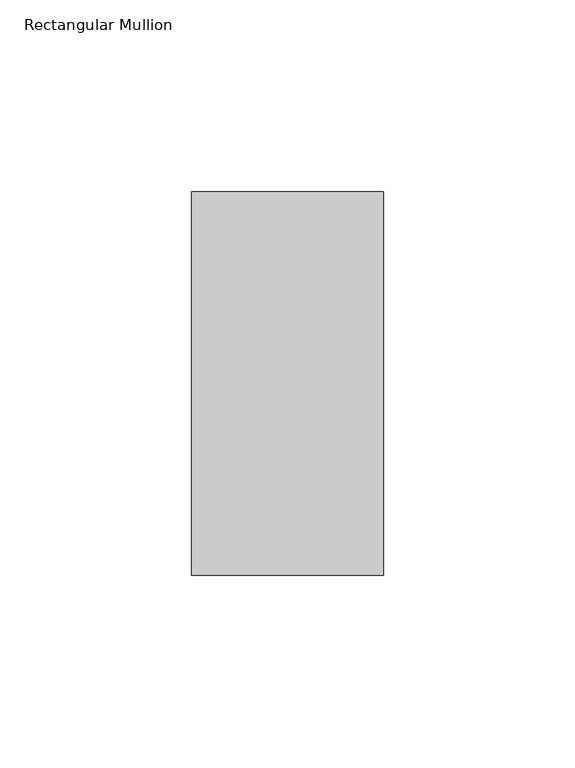
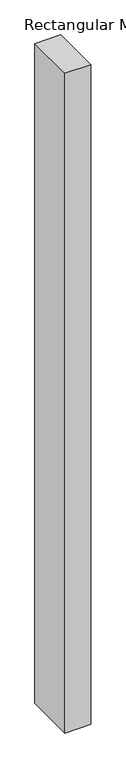
"""IFC4 building model written with IfcOpenShell, lengths in millimetres: member geometry, Rectangular Mullion."""

import ifcopenshell
import ifcopenshell.guid

model = None  # the IFC model being written
_history = None  # IfcOwnerHistory: only IFC2X3 demands one
_inside = {}  # id of a spatial element -> (the spatial element, [elements in it])
_under = {}  # id of a project, library or spatial element -> (it, [spatial elements below it])
_declared = {}  # id of a project -> (the project, [libraries it declares])
_typed = {}  # id of a type object -> (the type object, [elements of that type])
_made_of = {}  # id of a material, layer set ... -> (it, [elements and type objects made of it])


def new_model(schema):
    """Start an empty IFC model of exactly this schema.

    Asked for "IFC4X3", IfcOpenShell would pick the latest addendum, in which some entities
    have other attributes; the version numbers below select the first issue.
    IFC2X3 requires an IfcOwnerHistory on every rooted entity: one is made here for all.
    """
    global model, _history
    if schema == "IFC4X3":
        model = ifcopenshell.file(schema_version=(4, 3, 0, 0))
    else:
        model = ifcopenshell.file(schema=schema)
    _inside.clear()
    _under.clear()
    _declared.clear()
    _typed.clear()
    _made_of.clear()
    _history = None
    if model.schema == "IFC2X3":
        org = make("IfcOrganization", Name="unknown")
        user = make(
            "IfcPersonAndOrganization",
            ThePerson=make("IfcPerson", FamilyName="unknown"),
            TheOrganization=org,
        )
        app = make(
            "IfcApplication",
            ApplicationDeveloper=org,
            Version="unknown",
            ApplicationFullName="unknown",
            ApplicationIdentifier="unknown",
        )
        _history = make(
            "IfcOwnerHistory",
            OwningUser=user,
            OwningApplication=app,
            ChangeAction="ADDED",
            CreationDate=0,
        )
    return model


def make(cls, **values):
    """One entity of the class cls with the attributes given. An attribute that is None is left unset."""
    return model.create_entity(
        cls, **{name: value for name, value in values.items() if value is not None}
    )


def rooted(cls, **values):
    """An entity with a GlobalId (a new one), such as an element, a storey or a relation."""
    return make(cls, GlobalId=ifcopenshell.guid.new(), OwnerHistory=_history, **values)


def si_unit(unit_type, name, prefix=None):
    """IfcSIUnit, for example si_unit("LENGTHUNIT", "METRE", prefix="MILLI")."""
    return make("IfcSIUnit", UnitType=unit_type, Prefix=prefix, Name=name)


def assignment(units):
    """IfcUnitAssignment: the units of a project."""
    return None if units is None else make("IfcUnitAssignment", Units=units)


def point(xyz):
    """IfcCartesianPoint."""
    return None if xyz is None else make("IfcCartesianPoint", Coordinates=xyz)


def direction(xyz):
    """IfcDirection."""
    return None if xyz is None else make("IfcDirection", DirectionRatios=xyz)


def frame(location, z_axis=None, x_axis=None):
    """IfcAxis2Placement3D, a coordinate frame: its origin and axes. An axis left out is left unset."""
    return make(
        "IfcAxis2Placement3D",
        Location=point(location),
        Axis=direction(z_axis),
        RefDirection=direction(x_axis),
    )


def origin():
    """The frame at (0, 0, 0) with its axes left unset."""
    return frame((0.0, 0.0, 0.0))


def place(relative_to, where):
    """IfcLocalPlacement: puts the frame where relative to a parent placement (None: the world)."""
    return make(
        "IfcLocalPlacement", PlacementRelTo=relative_to, RelativePlacement=where
    )


def context(
    kind, dimensions, precision=None, world=None, true_north=None, identifier=None
):
    """IfcGeometricRepresentationContext, for example the 3D "Model" context."""
    return make(
        "IfcGeometricRepresentationContext",
        ContextIdentifier=identifier,
        ContextType=kind,
        CoordinateSpaceDimension=dimensions,
        Precision=precision,
        WorldCoordinateSystem=world,
        TrueNorth=true_north,
    )


def project(units=None, contexts=None):
    """IfcProject with its units and contexts."""
    return rooted(
        "IfcProject",
        Name="project",
        RepresentationContexts=contexts,
        UnitsInContext=assignment(units),
    )


def spatial(cls, under=None, at=None, **own):
    """A site, building, storey or space (cls), placed at a placement, below another one or the project."""
    s = rooted(cls, ObjectPlacement=at, **own)
    if under is not None:
        _under.setdefault(under.id(), (under, []))[1].append(s)
    return s


def polyline(points):
    """IfcPolyline through the points."""
    return make("IfcPolyline", Points=[point(p) for p in points])


def outline(outer, holes=None, kind="AREA"):
    """IfcArbitraryClosedProfileDef: a profile drawn as a closed curve; with holes, ...WithVoids."""
    if holes is None:
        return make("IfcArbitraryClosedProfileDef", ProfileType=kind, OuterCurve=outer)
    return make(
        "IfcArbitraryProfileDefWithVoids",
        ProfileType=kind,
        OuterCurve=outer,
        InnerCurves=holes,
    )


def extrude(swept, where, along, depth):
    """IfcExtrudedAreaSolid: the profile swept, set in the frame where, extruded along a direction by depth."""
    return make(
        "IfcExtrudedAreaSolid",
        SweptArea=swept,
        Position=where,
        ExtrudedDirection=direction(along),
        Depth=depth,
    )


def shape(context_of_items, identifier, shape_type, items):
    """IfcShapeRepresentation: the items that make up one representation, for example the "Body"."""
    return make(
        "IfcShapeRepresentation",
        ContextOfItems=context_of_items,
        RepresentationIdentifier=identifier,
        RepresentationType=shape_type,
        Items=items,
    )


def source(mapping_origin, context_of_items, identifier, shape_type, items):
    """IfcRepresentationMap: a shape defined once, which mapped items show again and again."""
    return make(
        "IfcRepresentationMap",
        MappingOrigin=mapping_origin,
        MappedRepresentation=shape(context_of_items, identifier, shape_type, items),
    )


def transform(
    local_origin,
    x_axis=None,
    y_axis=None,
    z_axis=None,
    scale=None,
    scale2=None,
    scale3=None,
    uniform=True,
):
    """IfcCartesianTransformationOperator3D, or its non-uniform kind. x_axis, y_axis, z_axis: its Axis1, 2, 3."""
    if uniform:
        return make(
            "IfcCartesianTransformationOperator3D",
            Axis1=direction(x_axis),
            Axis2=direction(y_axis),
            LocalOrigin=point(local_origin),
            Scale=scale,
            Axis3=direction(z_axis),
        )
    return make(
        "IfcCartesianTransformationOperator3DnonUniform",
        Axis1=direction(x_axis),
        Axis2=direction(y_axis),
        LocalOrigin=point(local_origin),
        Scale=scale,
        Axis3=direction(z_axis),
        Scale2=scale2,
        Scale3=scale3,
    )


def mapped(mapping_source, mapping_target):
    """IfcMappedItem: shows the shape of a source again, moved by a transform."""
    return make(
        "IfcMappedItem", MappingSource=mapping_source, MappingTarget=mapping_target
    )


def made_of(thing, what):
    """Note that an element or type object is made of a material, layer set ...; save() writes the relation."""
    if what is not None:
        _made_of.setdefault(what.id(), (what, []))[1].append(thing)
    return thing


def element(
    cls,
    number,
    at=None,
    inside=None,
    cuts=None,
    type_object=None,
    material=None,
    context=None,
    identifier="Body",
    shape_type=None,
    held_by="IfcProductDefinitionShape",
    body=None,
    shapes=None,
    **own,
):
    """One element of the class cls, such as IfcWall. Its Tag is "e" and its number.

    at: its placement. inside: the storey or other place that contains it. cuts: it is an
    opening in that element (IfcRelVoidsElement). A single representation is given by context,
    identifier, shape_type and body (its items); several are given by shapes. held_by: the class
    of the entity that holds the representations. save() writes the other relations.
    """
    e = rooted(cls, Tag="e%d" % number, ObjectPlacement=at, **own)
    if body is not None:
        shapes = [shape(context, identifier, shape_type, body)]
    if shapes is not None:
        e.Representation = make(held_by, Representations=shapes)
    if inside is not None:
        _inside.setdefault(inside.id(), (inside, []))[1].append(e)
    if cuts is not None:
        rooted(
            "IfcRelVoidsElement", RelatingBuildingElement=cuts, RelatedOpeningElement=e
        )
    if type_object is not None:
        _typed.setdefault(type_object.id(), (type_object, []))[1].append(e)
    return made_of(e, material)


def aggregate(whole, parts):
    """IfcRelAggregates: a whole, such as a stair, and the parts it consists of."""
    return rooted("IfcRelAggregates", RelatingObject=whole, RelatedObjects=parts)


def save(model, path):
    """Write the relations noted so far, then the file.

    IfcRelAggregates (storeys below a building ...), IfcRelContainedInSpatialStructure (elements
    in a storey), IfcRelDefinesByType, IfcRelAssociatesMaterial and IfcRelDeclares: one each for
    every whole, place, type object, material and project.
    """
    for whole, parts in _under.values():
        aggregate(whole, parts)
    for where, things in _inside.values():
        rooted(
            "IfcRelContainedInSpatialStructure",
            RelatedElements=things,
            RelatingStructure=where,
        )
    for kind, things in _typed.values():
        rooted("IfcRelDefinesByType", RelatedObjects=things, RelatingType=kind)
    for what, things in _made_of.values():
        rooted("IfcRelAssociatesMaterial", RelatedObjects=things, RelatingMaterial=what)
    for by, libraries in _declared.values():
        rooted("IfcRelDeclares", RelatingContext=by, RelatedDefinitions=libraries)
    model.write(path)


def rectangular_mullion_bd64735f(model_context):
    return source(origin(), model_context, "Body", "SweptSolid", [
        extrude(outline(polyline([(0.0, 31.0), (0.0, -69.0), (-50.0, -69.0), (-50.0, 31.0), (0.0, 31.0)])), frame((0.0, 0.0, -1340.0), z_axis=(0.0, 0.0, 1.0), x_axis=(1.0, 0.0, 0.0)), (0.0, 0.0, 1.0), 1340.0),
    ])


if __name__ == "__main__":
    model = new_model("IFC4")
    model_context = context("Model", 3, world=origin())
    ifc_project = project(units=[si_unit("LENGTHUNIT", "METRE", prefix="MILLI")], contexts=[model_context])
    site = spatial("IfcSite", under=ifc_project)
    building = spatial("IfcBuilding", under=site)
    placement = place(None, origin())
    rectangular_mullion_shape = rectangular_mullion_bd64735f(model_context)
    element("IfcMember", 1, ObjectType="Rectangular Mullion", at=placement, inside=building, context=model_context, shape_type="MappedRepresentation", body=[
        mapped(rectangular_mullion_shape, transform((0.0, 0.0, 0.0), x_axis=(1.0, 0.0, 0.0), y_axis=(0.0, 1.0, 0.0), z_axis=(0.0, 0.0, 1.0))),
    ])
    save(model, "model.ifc")
